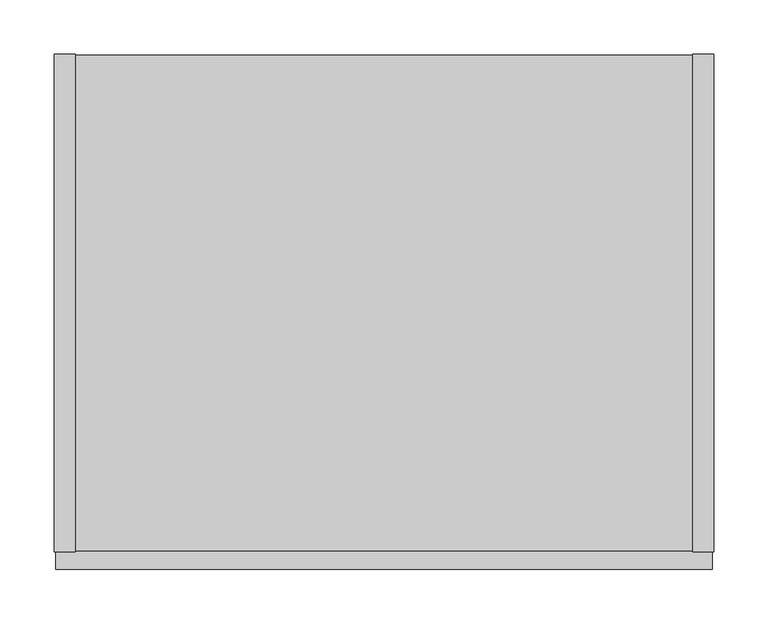
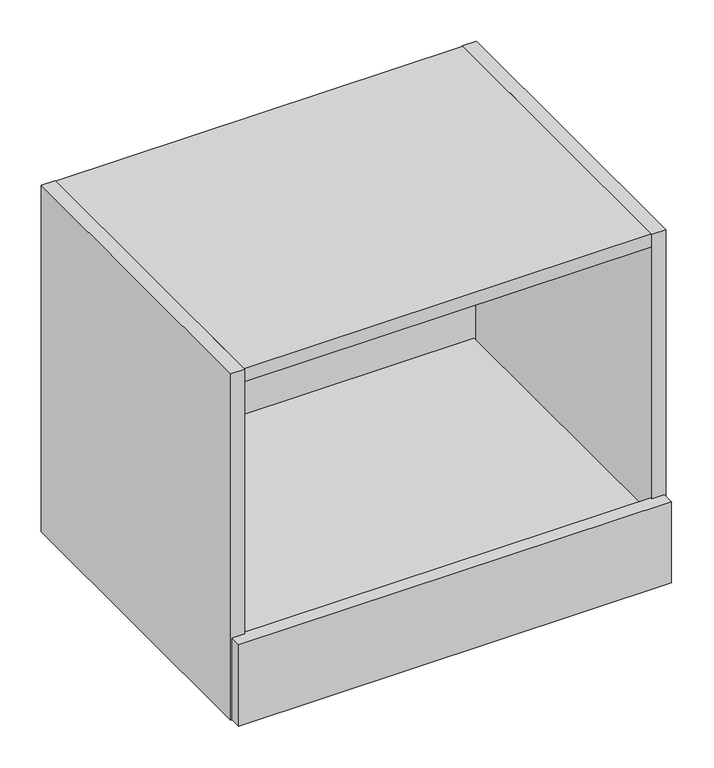
"""IFC4 building model written with IfcOpenShell, lengths in millimetres: furniture geometry."""

import ifcopenshell
import ifcopenshell.guid

model = None  # the IFC model being written
_history = None  # IfcOwnerHistory: only IFC2X3 demands one
_inside = {}  # id of a spatial element -> (the spatial element, [elements in it])
_under = {}  # id of a project, library or spatial element -> (it, [spatial elements below it])
_declared = {}  # id of a project -> (the project, [libraries it declares])
_typed = {}  # id of a type object -> (the type object, [elements of that type])
_made_of = {}  # id of a material, layer set ... -> (it, [elements and type objects made of it])


def new_model(schema):
    """Start an empty IFC model of exactly this schema.

    Asked for "IFC4X3", IfcOpenShell would pick the latest addendum, in which some entities
    have other attributes; the version numbers below select the first issue.
    IFC2X3 requires an IfcOwnerHistory on every rooted entity: one is made here for all.
    """
    global model, _history
    if schema == "IFC4X3":
        model = ifcopenshell.file(schema_version=(4, 3, 0, 0))
    else:
        model = ifcopenshell.file(schema=schema)
    _inside.clear()
    _under.clear()
    _declared.clear()
    _typed.clear()
    _made_of.clear()
    _history = None
    if model.schema == "IFC2X3":
        org = make("IfcOrganization", Name="unknown")
        user = make(
            "IfcPersonAndOrganization",
            ThePerson=make("IfcPerson", FamilyName="unknown"),
            TheOrganization=org,
        )
        app = make(
            "IfcApplication",
            ApplicationDeveloper=org,
            Version="unknown",
            ApplicationFullName="unknown",
            ApplicationIdentifier="unknown",
        )
        _history = make(
            "IfcOwnerHistory",
            OwningUser=user,
            OwningApplication=app,
            ChangeAction="ADDED",
            CreationDate=0,
        )
    return model


def make(cls, **values):
    """One entity of the class cls with the attributes given. An attribute that is None is left unset."""
    return model.create_entity(
        cls, **{name: value for name, value in values.items() if value is not None}
    )


def rooted(cls, **values):
    """An entity with a GlobalId (a new one), such as an element, a storey or a relation."""
    return make(cls, GlobalId=ifcopenshell.guid.new(), OwnerHistory=_history, **values)


def si_unit(unit_type, name, prefix=None):
    """IfcSIUnit, for example si_unit("LENGTHUNIT", "METRE", prefix="MILLI")."""
    return make("IfcSIUnit", UnitType=unit_type, Prefix=prefix, Name=name)


def assignment(units):
    """IfcUnitAssignment: the units of a project."""
    return None if units is None else make("IfcUnitAssignment", Units=units)


def point(xyz):
    """IfcCartesianPoint."""
    return None if xyz is None else make("IfcCartesianPoint", Coordinates=xyz)


def direction(xyz):
    """IfcDirection."""
    return None if xyz is None else make("IfcDirection", DirectionRatios=xyz)


def frame(location, z_axis=None, x_axis=None):
    """IfcAxis2Placement3D, a coordinate frame: its origin and axes. An axis left out is left unset."""
    return make(
        "IfcAxis2Placement3D",
        Location=point(location),
        Axis=direction(z_axis),
        RefDirection=direction(x_axis),
    )


def frame_2d(location, x_axis=None):
    """IfcAxis2Placement2D, a coordinate frame in the plane: its origin and x axis."""
    return make(
        "IfcAxis2Placement2D", Location=point(location), RefDirection=direction(x_axis)
    )


def origin():
    """The frame at (0, 0, 0) with its axes left unset."""
    return frame((0.0, 0.0, 0.0))


def place(relative_to, where):
    """IfcLocalPlacement: puts the frame where relative to a parent placement (None: the world)."""
    return make(
        "IfcLocalPlacement", PlacementRelTo=relative_to, RelativePlacement=where
    )


def context(
    kind, dimensions, precision=None, world=None, true_north=None, identifier=None
):
    """IfcGeometricRepresentationContext, for example the 3D "Model" context."""
    return make(
        "IfcGeometricRepresentationContext",
        ContextIdentifier=identifier,
        ContextType=kind,
        CoordinateSpaceDimension=dimensions,
        Precision=precision,
        WorldCoordinateSystem=world,
        TrueNorth=true_north,
    )


def project(units=None, contexts=None):
    """IfcProject with its units and contexts."""
    return rooted(
        "IfcProject",
        Name="project",
        RepresentationContexts=contexts,
        UnitsInContext=assignment(units),
    )


def spatial(cls, under=None, at=None, **own):
    """A site, building, storey or space (cls), placed at a placement, below another one or the project."""
    s = rooted(cls, ObjectPlacement=at, **own)
    if under is not None:
        _under.setdefault(under.id(), (under, []))[1].append(s)
    return s


def polyline(points):
    """IfcPolyline through the points."""
    return make("IfcPolyline", Points=[point(p) for p in points])


def circle_curve(where, radius):
    """IfcCircle in the frame where."""
    return make("IfcCircle", Position=where, Radius=radius)


def trimmed(basis, trim1, trim2, sense, master):
    """IfcTrimmedCurve: the piece of a basis curve between two trims."""
    return make(
        "IfcTrimmedCurve",
        BasisCurve=basis,
        Trim1=trim1,
        Trim2=trim2,
        SenseAgreement=sense,
        MasterRepresentation=master,
    )


def segment(curve, same_sense, transition):
    """IfcCompositeCurveSegment."""
    return make(
        "IfcCompositeCurveSegment",
        Transition=transition,
        SameSense=same_sense,
        ParentCurve=curve,
    )


def composite_curve(segments, self_intersect=None):
    """IfcCompositeCurve: segments joined end to end."""
    return make("IfcCompositeCurve", Segments=segments, SelfIntersect=self_intersect)


def outline(outer, holes=None, kind="AREA"):
    """IfcArbitraryClosedProfileDef: a profile drawn as a closed curve; with holes, ...WithVoids."""
    if holes is None:
        return make("IfcArbitraryClosedProfileDef", ProfileType=kind, OuterCurve=outer)
    return make(
        "IfcArbitraryProfileDefWithVoids",
        ProfileType=kind,
        OuterCurve=outer,
        InnerCurves=holes,
    )


def extrude(swept, where, along, depth):
    """IfcExtrudedAreaSolid: the profile swept, set in the frame where, extruded along a direction by depth."""
    return make(
        "IfcExtrudedAreaSolid",
        SweptArea=swept,
        Position=where,
        ExtrudedDirection=direction(along),
        Depth=depth,
    )


def shape(context_of_items, identifier, shape_type, items):
    """IfcShapeRepresentation: the items that make up one representation, for example the "Body"."""
    return make(
        "IfcShapeRepresentation",
        ContextOfItems=context_of_items,
        RepresentationIdentifier=identifier,
        RepresentationType=shape_type,
        Items=items,
    )


def source(mapping_origin, context_of_items, identifier, shape_type, items):
    """IfcRepresentationMap: a shape defined once, which mapped items show again and again."""
    return make(
        "IfcRepresentationMap",
        MappingOrigin=mapping_origin,
        MappedRepresentation=shape(context_of_items, identifier, shape_type, items),
    )


def transform(
    local_origin,
    x_axis=None,
    y_axis=None,
    z_axis=None,
    scale=None,
    scale2=None,
    scale3=None,
    uniform=True,
):
    """IfcCartesianTransformationOperator3D, or its non-uniform kind. x_axis, y_axis, z_axis: its Axis1, 2, 3."""
    if uniform:
        return make(
            "IfcCartesianTransformationOperator3D",
            Axis1=direction(x_axis),
            Axis2=direction(y_axis),
            LocalOrigin=point(local_origin),
            Scale=scale,
            Axis3=direction(z_axis),
        )
    return make(
        "IfcCartesianTransformationOperator3DnonUniform",
        Axis1=direction(x_axis),
        Axis2=direction(y_axis),
        LocalOrigin=point(local_origin),
        Scale=scale,
        Axis3=direction(z_axis),
        Scale2=scale2,
        Scale3=scale3,
    )


def mapped(mapping_source, mapping_target):
    """IfcMappedItem: shows the shape of a source again, moved by a transform."""
    return make(
        "IfcMappedItem", MappingSource=mapping_source, MappingTarget=mapping_target
    )


def made_of(thing, what):
    """Note that an element or type object is made of a material, layer set ...; save() writes the relation."""
    if what is not None:
        _made_of.setdefault(what.id(), (what, []))[1].append(thing)
    return thing


def element(
    cls,
    number,
    at=None,
    inside=None,
    cuts=None,
    type_object=None,
    material=None,
    context=None,
    identifier="Body",
    shape_type=None,
    held_by="IfcProductDefinitionShape",
    body=None,
    shapes=None,
    **own,
):
    """One element of the class cls, such as IfcWall. Its Tag is "e" and its number.

    at: its placement. inside: the storey or other place that contains it. cuts: it is an
    opening in that element (IfcRelVoidsElement). A single representation is given by context,
    identifier, shape_type and body (its items); several are given by shapes. held_by: the class
    of the entity that holds the representations. save() writes the other relations.
    """
    e = rooted(cls, Tag="e%d" % number, ObjectPlacement=at, **own)
    if body is not None:
        shapes = [shape(context, identifier, shape_type, body)]
    if shapes is not None:
        e.Representation = make(held_by, Representations=shapes)
    if inside is not None:
        _inside.setdefault(inside.id(), (inside, []))[1].append(e)
    if cuts is not None:
        rooted(
            "IfcRelVoidsElement", RelatingBuildingElement=cuts, RelatedOpeningElement=e
        )
    if type_object is not None:
        _typed.setdefault(type_object.id(), (type_object, []))[1].append(e)
    return made_of(e, material)


def aggregate(whole, parts):
    """IfcRelAggregates: a whole, such as a stair, and the parts it consists of."""
    return rooted("IfcRelAggregates", RelatingObject=whole, RelatedObjects=parts)


def save(model, path):
    """Write the relations noted so far, then the file.

    IfcRelAggregates (storeys below a building ...), IfcRelContainedInSpatialStructure (elements
    in a storey), IfcRelDefinesByType, IfcRelAssociatesMaterial and IfcRelDeclares: one each for
    every whole, place, type object, material and project.
    """
    for whole, parts in _under.values():
        aggregate(whole, parts)
    for where, things in _inside.values():
        rooted(
            "IfcRelContainedInSpatialStructure",
            RelatedElements=things,
            RelatingStructure=where,
        )
    for kind, things in _typed.values():
        rooted("IfcRelDefinesByType", RelatedObjects=things, RelatingType=kind)
    for what, things in _made_of.values():
        rooted("IfcRelAssociatesMaterial", RelatedObjects=things, RelatingMaterial=what)
    for by, libraries in _declared.values():
        rooted("IfcRelDeclares", RelatingContext=by, RelatedDefinitions=libraries)
    model.write(path)


def furniture_97dd97fe(model_context):
    return source(origin(), model_context, "Body", "SweptSolid", [
        extrude(outline(polyline([(608.0125, -476.504), (1.5875, -476.504), (1.5875, -457.2), (608.0125, -457.2), (608.0125, -476.504)])), frame((0.0, 0.0, 376.4026), z_axis=(0.0, 0.0, 1.0), x_axis=(1.0, 0.0, 0.0)), (0.0, 0.0, 1.0), 120.65),
        extrude(outline(polyline([(587.121, -460.121), (22.479, -460.121), (22.479, -33.9757538), (587.121, -33.9757538), (587.121, -460.121)])), frame((0.0, 0.0, 458.724), z_axis=(0.0, 0.0, 1.0), x_axis=(1.0, 0.0, 0.0)), (0.0, 0.0, 1.0), 19.304),
        extrude(outline(polyline([(19.304, 0.0), (19.304, -460.121), (0.0, -460.121), (0.0, 0.0), (19.304, 0.0)])), frame((0.0, 0.0, 376.428), z_axis=(0.0, 0.0, 1.0), x_axis=(1.0, 0.0, 0.0)), (0.0, 0.0, 1.0), 512.572),
        extrude(outline(composite_curve([segment(polyline([(-460.121, 889.0), (0.0, 889.0), (0.0, 812.292), (-9.3963729, 812.292)]), True, "CONTINUOUS"), segment(trimmed(circle_curve(frame_2d((-9.3963729, 808.9883729)), 3.3036271), [point((-9.3963729, 812.292))], [point((-12.7, 808.9883729))], True, "CARTESIAN"), True, "CONTINUOUS"), segment(polyline([(-12.7, 808.9883729), (-12.7, 707.644)]), True, "CONTINUOUS"), segment(trimmed(circle_curve(frame_2d((-9.398, 707.644)), 3.302), [point((-12.7, 707.644))], [point((-9.398, 704.342))], True, "CARTESIAN"), True, "CONTINUOUS"), segment(polyline([(-9.398, 704.342), (0.0, 704.342), (0.0, 376.428), (-460.121, 376.428), (-460.121, 889.0)]), True, "CONTINUOUS")], self_intersect=False)), frame((590.296, 0.0, 0.0), z_axis=(1.0, 0.0, 0.0), x_axis=(0.0, 1.0, 0.0)), (0.0, 0.0, 1.0), 19.304),
        extrude(outline(polyline([(590.296, -0.9906), (590.296, -459.1304), (19.304, -459.1304), (19.304, -0.9906), (590.296, -0.9906)])), frame((0.0, 0.0, 377.4186), z_axis=(0.0, 0.0, 1.0), x_axis=(1.0, 0.0, 0.0)), (0.0, 0.0, 1.0), 19.304),
        extrude(outline(composite_curve([segment(polyline([(-32.004, 869.696), (-11.938, 869.696), (-11.938, 811.0988429)]), True, "CONTINUOUS"), segment(trimmed(circle_curve(frame_2d((-9.3963729, 808.9883729)), 3.3036271), [point((-11.938, 811.0988429))], [point((-12.7, 808.9883729))], True, "CARTESIAN"), True, "CONTINUOUS"), segment(polyline([(-12.7, 808.9883729), (-12.7, 707.644)]), True, "CONTINUOUS"), segment(trimmed(circle_curve(frame_2d((-9.398, 707.644)), 3.302), [point((-12.7, 707.644))], [point((-11.938, 705.5341175))], True, "CARTESIAN"), True, "CONTINUOUS"), segment(polyline([(-11.938, 705.5341175), (-11.938, 396.7226), (-32.004, 396.7226), (-32.004, 869.696)]), True, "CONTINUOUS")], self_intersect=False)), frame((19.304, 0.0, 0.0), z_axis=(1.0, 0.0, 0.0), x_axis=(0.0, 1.0, 0.0)), (0.0, 0.0, 1.0), 570.992),
        extrude(outline(polyline([(590.296, -459.1304), (19.304, -459.1304), (19.304, -0.9906), (590.296, -0.9906), (590.296, -459.1304)])), frame((0.0, 0.0, 869.696), z_axis=(0.0, 0.0, 1.0), x_axis=(1.0, 0.0, 0.0)), (0.0, 0.0, 1.0), 19.304),
    ])


if __name__ == "__main__":
    model = new_model("IFC4")
    model_context = context("Model", 3, world=origin())
    ifc_project = project(units=[si_unit("LENGTHUNIT", "METRE", prefix="MILLI")], contexts=[model_context])
    site = spatial("IfcSite", under=ifc_project)
    building = spatial("IfcBuilding", under=site)
    placement = place(None, origin())
    furniture_shape = furniture_97dd97fe(model_context)
    element("IfcFurniture", 1, at=placement, inside=building, context=model_context, shape_type="MappedRepresentation", body=[
        mapped(furniture_shape, transform((0.0, 0.0, 0.0), x_axis=(1.0, 0.0, 0.0), y_axis=(0.0, 1.0, 0.0), z_axis=(0.0, 0.0, 1.0))),
    ])
    save(model, "model.ifc")
